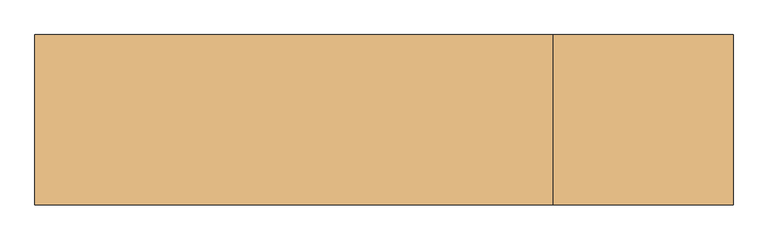
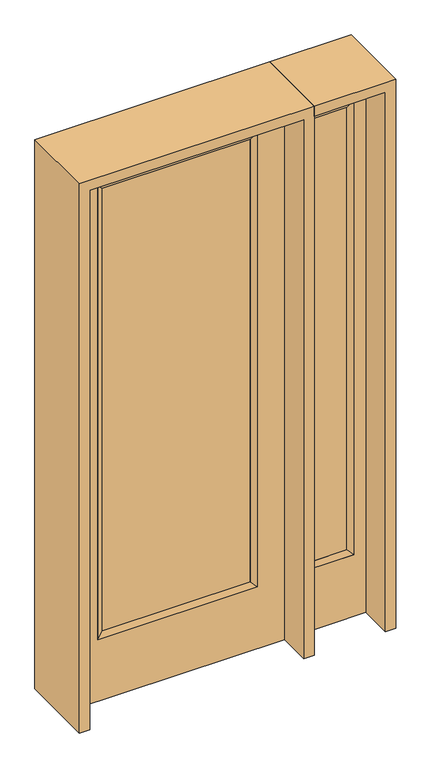
"""IFC4 building model written with IfcOpenShell, lengths in millimetres: door geometry."""

from ifc_helpers import new_model, si_unit, frame, origin, place, context, project, spatial, polyline, outline, extrude, faceted_brep, source, transform, mapped, element, save


def door_d54e5f34(model_context):
    return source(origin(), model_context, "Body", "SolidModel", [
        extrude(outline(polyline([(316.3824, -12.7039749), (-316.3824, -12.7039749), (-316.3824, 14.2875), (316.3824, 14.2875), (316.3824, -12.7039749)])), frame((0.0, 0.0, 304.8), z_axis=(0.0, 0.0, 1.0), x_axis=(1.0, 0.0, 0.0)), (0.0, 0.0, 1.0), 2000.25),
        faceted_brep([(316.3824, 14.2875, 2305.05), (341.7824, 22.225, 2330.45), (341.7824, 22.225, 279.4), (316.3824, 14.2875, 304.8), (341.7824, -22.225, 2330.45), (341.7824, -22.225, 279.4), (-341.7824, 22.225, 279.4), (-316.3824, 14.2875, 304.8), (316.3824, -12.7039749, 2305.05), (316.3824, -12.7039749, 304.8), (-316.3824, -12.7039749, 304.8), (-341.7824, -22.225, 279.4), (-341.7824, 22.225, 2330.45), (-316.3824, 14.2875, 2305.05), (-316.3824, -12.7039749, 2305.05), (-341.7824, -22.225, 2330.45)], [[[0, 1, 2, 3]], [[1, 4, 5, 2]], [[3, 2, 6, 7]], [[8, 0, 3, 9]], [[9, 3, 7, 10]], [[4, 8, 9, 5]], [[5, 9, 10, 11]], [[2, 5, 11, 6]], [[7, 6, 12, 13]], [[10, 7, 13, 14]], [[11, 10, 14, 15]], [[6, 11, 15, 12]], [[13, 12, 1, 0]], [[14, 13, 0, 8]], [[15, 14, 8, 4]], [[12, 15, 4, 1]]]),
        extrude(outline(polyline([(0.0, -457.2), (0.0, 457.2), (2438.4, 457.2), (2438.4, -457.2), (0.0, -457.2)]), holes=[polyline([(279.4, -341.7824), (2330.45, -341.7824), (2330.45, 341.7824), (279.4, 341.7824), (279.4, -341.7824)])]), frame((0.0, -22.225, 0.0), z_axis=(0.0, 1.0, 0.0), x_axis=(0.0, 0.0, 1.0)), (0.0, 0.0, 1.0), 44.45),
        faceted_brep([(552.45, 20.6375, 2330.45), (552.45, 20.6375, 279.4), (552.45, -20.6375, 279.4), (552.45, -20.6375, 2330.45), (577.85, -12.7, 304.8), (577.85, -12.7, 2305.05), (755.65, 20.6375, 279.4), (755.65, -20.6375, 279.4), (577.85, 12.7, 2305.05), (577.85, 12.7, 304.8), (730.25, 12.7, 304.8), (730.25, -12.7, 304.8), (755.65, 20.6375, 2330.45), (755.65, -20.6375, 2330.45), (730.25, 12.7, 2305.05), (730.25, -12.7, 2305.05)], [[[0, 1, 2, 3]], [[3, 2, 4, 5]], [[1, 6, 7, 2]], [[8, 9, 1, 0]], [[9, 10, 6, 1]], [[5, 4, 9, 8]], [[4, 11, 10, 9]], [[2, 7, 11, 4]], [[6, 12, 13, 7]], [[10, 14, 12, 6]], [[11, 15, 14, 10]], [[7, 13, 15, 11]], [[12, 0, 3, 13]], [[14, 8, 0, 12]], [[15, 5, 8, 14]], [[13, 3, 5, 15]]]),
        extrude(outline(polyline([(0.0, 806.45), (2438.4, 806.45), (2438.4, 501.65), (0.0, 501.65), (0.0, 806.45)]), holes=[polyline([(2330.45, 552.45), (2330.45, 755.65), (279.4, 755.65), (279.4, 552.45), (2330.45, 552.45)])]), frame((0.0, -20.6375, 0.0), z_axis=(0.0, 1.0, 0.0), x_axis=(0.0, 0.0, 1.0)), (0.0, 0.0, 1.0), 41.275),
        extrude(outline(polyline([(577.85, -12.7), (577.85, 12.7), (730.25, 12.7), (730.25, -12.7), (577.85, -12.7)])), frame((0.0, 0.0, 301.625), z_axis=(0.0, 0.0, 1.0), x_axis=(1.0, 0.0, 0.0)), (0.0, 0.0, 1.0), 2003.425),
        extrude(outline(polyline([(2482.85, -501.65), (0.0, -501.65), (0.0, -457.2), (2438.4, -457.2), (2438.4, 457.2), (0.0, 457.2), (0.0, 501.65), (2482.85, 501.65), (2482.85, -501.65)])), frame((0.0, -165.1, 0.0), z_axis=(0.0, 1.0, 0.0), x_axis=(0.0, 0.0, 1.0)), (0.0, 0.0, 1.0), 330.2),
        extrude(outline(polyline([(0.0, 806.45), (0.0, 850.9), (2482.85, 850.9), (2482.85, 501.65), (2438.4, 501.65), (2438.4, 806.45), (0.0, 806.45)])), frame((0.0, -165.1, 0.0), z_axis=(0.0, 1.0, 0.0), x_axis=(0.0, 0.0, 1.0)), (0.0, 0.0, 1.0), 330.2),
    ])


if __name__ == "__main__":
    model = new_model("IFC4")
    model_context = context("Model", 3, world=origin())
    ifc_project = project(units=[si_unit("LENGTHUNIT", "METRE", prefix="MILLI")], contexts=[model_context])
    site = spatial("IfcSite", under=ifc_project)
    building = spatial("IfcBuilding", under=site)
    placement = place(None, origin())
    door_shape = door_d54e5f34(model_context)
    element("IfcDoor", 1, at=placement, inside=building, context=model_context, shape_type="MappedRepresentation", body=[
        mapped(door_shape, transform((0.0, 0.0, 0.0), x_axis=(1.0, 0.0, 0.0), y_axis=(0.0, 1.0, 0.0), z_axis=(0.0, 0.0, 1.0))),
    ])
    save(model, "model.ifc")
